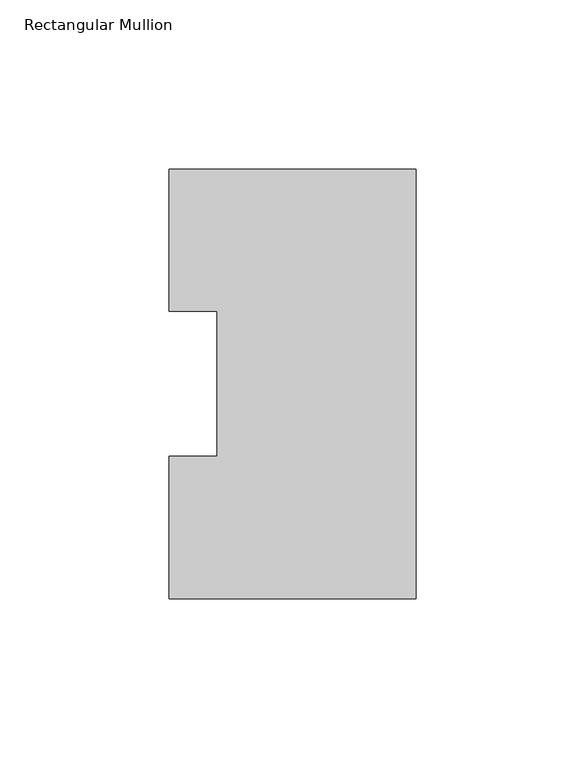
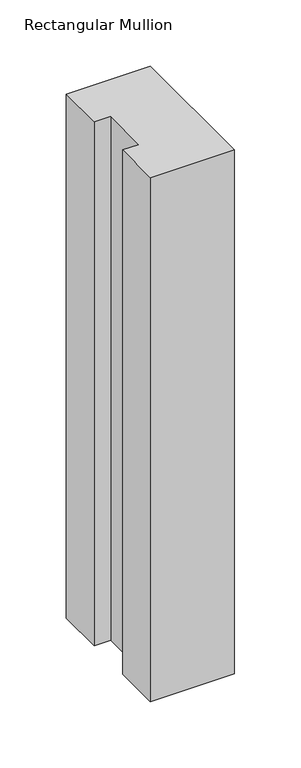
"""IFC4 building model written with IfcOpenShell, lengths in millimetres: member geometry, Rectangular Mullion."""

import ifcopenshell
import ifcopenshell.guid

model = None  # the IFC model being written
_history = None  # IfcOwnerHistory: only IFC2X3 demands one
_inside = {}  # id of a spatial element -> (the spatial element, [elements in it])
_under = {}  # id of a project, library or spatial element -> (it, [spatial elements below it])
_declared = {}  # id of a project -> (the project, [libraries it declares])
_typed = {}  # id of a type object -> (the type object, [elements of that type])
_made_of = {}  # id of a material, layer set ... -> (it, [elements and type objects made of it])


def new_model(schema):
    """Start an empty IFC model of exactly this schema.

    Asked for "IFC4X3", IfcOpenShell would pick the latest addendum, in which some entities
    have other attributes; the version numbers below select the first issue.
    IFC2X3 requires an IfcOwnerHistory on every rooted entity: one is made here for all.
    """
    global model, _history
    if schema == "IFC4X3":
        model = ifcopenshell.file(schema_version=(4, 3, 0, 0))
    else:
        model = ifcopenshell.file(schema=schema)
    _inside.clear()
    _under.clear()
    _declared.clear()
    _typed.clear()
    _made_of.clear()
    _history = None
    if model.schema == "IFC2X3":
        org = make("IfcOrganization", Name="unknown")
        user = make(
            "IfcPersonAndOrganization",
            ThePerson=make("IfcPerson", FamilyName="unknown"),
            TheOrganization=org,
        )
        app = make(
            "IfcApplication",
            ApplicationDeveloper=org,
            Version="unknown",
            ApplicationFullName="unknown",
            ApplicationIdentifier="unknown",
        )
        _history = make(
            "IfcOwnerHistory",
            OwningUser=user,
            OwningApplication=app,
            ChangeAction="ADDED",
            CreationDate=0,
        )
    return model


def make(cls, **values):
    """One entity of the class cls with the attributes given. An attribute that is None is left unset."""
    return model.create_entity(
        cls, **{name: value for name, value in values.items() if value is not None}
    )


def rooted(cls, **values):
    """An entity with a GlobalId (a new one), such as an element, a storey or a relation."""
    return make(cls, GlobalId=ifcopenshell.guid.new(), OwnerHistory=_history, **values)


def si_unit(unit_type, name, prefix=None):
    """IfcSIUnit, for example si_unit("LENGTHUNIT", "METRE", prefix="MILLI")."""
    return make("IfcSIUnit", UnitType=unit_type, Prefix=prefix, Name=name)


def assignment(units):
    """IfcUnitAssignment: the units of a project."""
    return None if units is None else make("IfcUnitAssignment", Units=units)


def point(xyz):
    """IfcCartesianPoint."""
    return None if xyz is None else make("IfcCartesianPoint", Coordinates=xyz)


def direction(xyz):
    """IfcDirection."""
    return None if xyz is None else make("IfcDirection", DirectionRatios=xyz)


def frame(location, z_axis=None, x_axis=None):
    """IfcAxis2Placement3D, a coordinate frame: its origin and axes. An axis left out is left unset."""
    return make(
        "IfcAxis2Placement3D",
        Location=point(location),
        Axis=direction(z_axis),
        RefDirection=direction(x_axis),
    )


def origin():
    """The frame at (0, 0, 0) with its axes left unset."""
    return frame((0.0, 0.0, 0.0))


def place(relative_to, where):
    """IfcLocalPlacement: puts the frame where relative to a parent placement (None: the world)."""
    return make(
        "IfcLocalPlacement", PlacementRelTo=relative_to, RelativePlacement=where
    )


def context(
    kind, dimensions, precision=None, world=None, true_north=None, identifier=None
):
    """IfcGeometricRepresentationContext, for example the 3D "Model" context."""
    return make(
        "IfcGeometricRepresentationContext",
        ContextIdentifier=identifier,
        ContextType=kind,
        CoordinateSpaceDimension=dimensions,
        Precision=precision,
        WorldCoordinateSystem=world,
        TrueNorth=true_north,
    )


def project(units=None, contexts=None):
    """IfcProject with its units and contexts."""
    return rooted(
        "IfcProject",
        Name="project",
        RepresentationContexts=contexts,
        UnitsInContext=assignment(units),
    )


def spatial(cls, under=None, at=None, **own):
    """A site, building, storey or space (cls), placed at a placement, below another one or the project."""
    s = rooted(cls, ObjectPlacement=at, **own)
    if under is not None:
        _under.setdefault(under.id(), (under, []))[1].append(s)
    return s


def polyline(points):
    """IfcPolyline through the points."""
    return make("IfcPolyline", Points=[point(p) for p in points])


def outline(outer, holes=None, kind="AREA"):
    """IfcArbitraryClosedProfileDef: a profile drawn as a closed curve; with holes, ...WithVoids."""
    if holes is None:
        return make("IfcArbitraryClosedProfileDef", ProfileType=kind, OuterCurve=outer)
    return make(
        "IfcArbitraryProfileDefWithVoids",
        ProfileType=kind,
        OuterCurve=outer,
        InnerCurves=holes,
    )


def extrude(swept, where, along, depth):
    """IfcExtrudedAreaSolid: the profile swept, set in the frame where, extruded along a direction by depth."""
    return make(
        "IfcExtrudedAreaSolid",
        SweptArea=swept,
        Position=where,
        ExtrudedDirection=direction(along),
        Depth=depth,
    )


def shape(context_of_items, identifier, shape_type, items):
    """IfcShapeRepresentation: the items that make up one representation, for example the "Body"."""
    return make(
        "IfcShapeRepresentation",
        ContextOfItems=context_of_items,
        RepresentationIdentifier=identifier,
        RepresentationType=shape_type,
        Items=items,
    )


def source(mapping_origin, context_of_items, identifier, shape_type, items):
    """IfcRepresentationMap: a shape defined once, which mapped items show again and again."""
    return make(
        "IfcRepresentationMap",
        MappingOrigin=mapping_origin,
        MappedRepresentation=shape(context_of_items, identifier, shape_type, items),
    )


def transform(
    local_origin,
    x_axis=None,
    y_axis=None,
    z_axis=None,
    scale=None,
    scale2=None,
    scale3=None,
    uniform=True,
):
    """IfcCartesianTransformationOperator3D, or its non-uniform kind. x_axis, y_axis, z_axis: its Axis1, 2, 3."""
    if uniform:
        return make(
            "IfcCartesianTransformationOperator3D",
            Axis1=direction(x_axis),
            Axis2=direction(y_axis),
            LocalOrigin=point(local_origin),
            Scale=scale,
            Axis3=direction(z_axis),
        )
    return make(
        "IfcCartesianTransformationOperator3DnonUniform",
        Axis1=direction(x_axis),
        Axis2=direction(y_axis),
        LocalOrigin=point(local_origin),
        Scale=scale,
        Axis3=direction(z_axis),
        Scale2=scale2,
        Scale3=scale3,
    )


def mapped(mapping_source, mapping_target):
    """IfcMappedItem: shows the shape of a source again, moved by a transform."""
    return make(
        "IfcMappedItem", MappingSource=mapping_source, MappingTarget=mapping_target
    )


def made_of(thing, what):
    """Note that an element or type object is made of a material, layer set ...; save() writes the relation."""
    if what is not None:
        _made_of.setdefault(what.id(), (what, []))[1].append(thing)
    return thing


def element(
    cls,
    number,
    at=None,
    inside=None,
    cuts=None,
    type_object=None,
    material=None,
    context=None,
    identifier="Body",
    shape_type=None,
    held_by="IfcProductDefinitionShape",
    body=None,
    shapes=None,
    **own,
):
    """One element of the class cls, such as IfcWall. Its Tag is "e" and its number.

    at: its placement. inside: the storey or other place that contains it. cuts: it is an
    opening in that element (IfcRelVoidsElement). A single representation is given by context,
    identifier, shape_type and body (its items); several are given by shapes. held_by: the class
    of the entity that holds the representations. save() writes the other relations.
    """
    e = rooted(cls, Tag="e%d" % number, ObjectPlacement=at, **own)
    if body is not None:
        shapes = [shape(context, identifier, shape_type, body)]
    if shapes is not None:
        e.Representation = make(held_by, Representations=shapes)
    if inside is not None:
        _inside.setdefault(inside.id(), (inside, []))[1].append(e)
    if cuts is not None:
        rooted(
            "IfcRelVoidsElement", RelatingBuildingElement=cuts, RelatedOpeningElement=e
        )
    if type_object is not None:
        _typed.setdefault(type_object.id(), (type_object, []))[1].append(e)
    return made_of(e, material)


def aggregate(whole, parts):
    """IfcRelAggregates: a whole, such as a stair, and the parts it consists of."""
    return rooted("IfcRelAggregates", RelatingObject=whole, RelatedObjects=parts)


def save(model, path):
    """Write the relations noted so far, then the file.

    IfcRelAggregates (storeys below a building ...), IfcRelContainedInSpatialStructure (elements
    in a storey), IfcRelDefinesByType, IfcRelAssociatesMaterial and IfcRelDeclares: one each for
    every whole, place, type object, material and project.
    """
    for whole, parts in _under.values():
        aggregate(whole, parts)
    for where, things in _inside.values():
        rooted(
            "IfcRelContainedInSpatialStructure",
            RelatedElements=things,
            RelatingStructure=where,
        )
    for kind, things in _typed.values():
        rooted("IfcRelDefinesByType", RelatedObjects=things, RelatingType=kind)
    for what, things in _made_of.values():
        rooted("IfcRelAssociatesMaterial", RelatedObjects=things, RelatingMaterial=what)
    for by, libraries in _declared.values():
        rooted("IfcRelDeclares", RelatingContext=by, RelatedDefinitions=libraries)
    model.write(path)


def rectangular_mullion_6abbb452(model_context):
    return source(origin(), model_context, "Body", "SweptSolid", [
        extrude(outline(polyline([(0.0, 127.006348), (0.0, 0.0063465), (-73.025, 0.0063465), (-73.025, 42.0814491), (-58.7375, 42.0814491), (-58.7375, 84.93125), (-73.025, 84.93125), (-73.025, 127.006348), (0.0, 127.006348)])), frame((0.0, 0.0, -482.6), z_axis=(0.0, 0.0, 1.0), x_axis=(1.0, 0.0, 0.0)), (0.0, 0.0, 1.0), 482.6),
    ])


if __name__ == "__main__":
    model = new_model("IFC4")
    model_context = context("Model", 3, world=origin())
    ifc_project = project(units=[si_unit("LENGTHUNIT", "METRE", prefix="MILLI")], contexts=[model_context])
    site = spatial("IfcSite", under=ifc_project)
    building = spatial("IfcBuilding", under=site)
    placement = place(None, origin())
    rectangular_mullion_shape = rectangular_mullion_6abbb452(model_context)
    element("IfcMember", 1, ObjectType="Rectangular Mullion", at=placement, inside=building, context=model_context, shape_type="MappedRepresentation", body=[
        mapped(rectangular_mullion_shape, transform((0.0, 0.0, 0.0), x_axis=(1.0, 0.0, 0.0), y_axis=(0.0, 1.0, 0.0), z_axis=(0.0, 0.0, 1.0))),
    ])
    save(model, "model.ifc")
